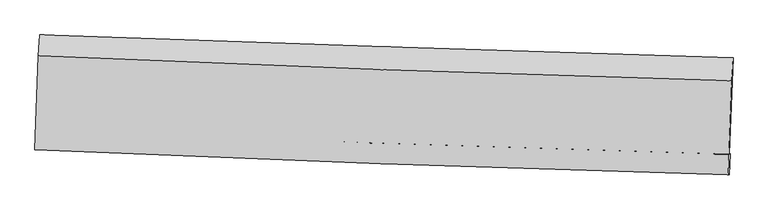
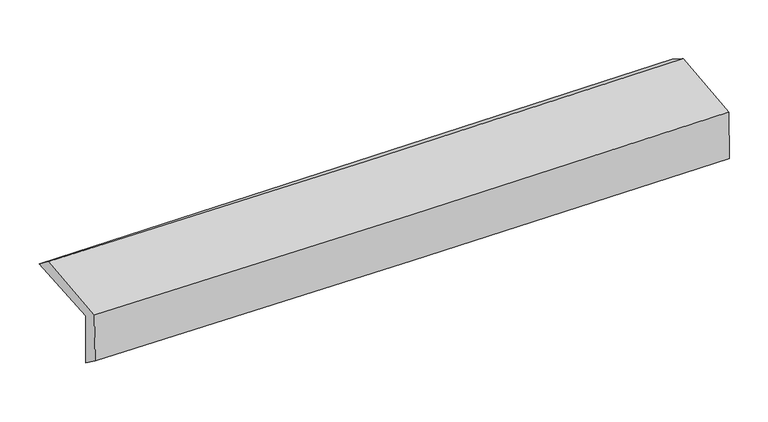
"""IFC4 building model written with IfcOpenShell, lengths in millimetres: proxy geometry."""

from ifc_helpers import new_model, si_unit, frame, origin, place, context, project, spatial, source, transform, mapped, element, save
from ifc_brep_helpers import plane_surface, spline_curve, spline_surface, advanced_brep


def generic_models_711b635d(model_context):
    return source(origin(), model_context, "Body", "AdvancedBrep", [
        advanced_brep(
        [(-2412.2963544, -1724.6140966, 2003.1782897), (-2386.4280916, -1056.282665, 2010.6440219), (2409.8646997, -1213.518487, 2100.8701911), (2383.1875288, -1880.8094024, 2076.1884236), (-2405.715005, -1712.3481891, 1607.5726277), (2389.1874835, -1879.4271855, 1690.0966422), (-2412.6708603, -1849.8313115, 1711.9600229), (2381.8836713, -2021.8771517, 1789.3353068), (-2418.5784734, -1851.1892215, 2091.3866482), (2375.9484417, -2023.2444578, 2171.2620871), (-2393.8021828, -1200.9268352, 2124.0930793), (2401.8064644, -1373.1039766, 2203.9812724)],
        [
            (0, 1),
            (1, 2, spline_curve(3, [(-2386.4280916, -1056.282665, 2010.6440219), (-1587.142455202, -1084.174805543, 2028.610664488), (-787.790747649, -1111.224407372, 2045.113102914), (810.973527709, -1163.636198054, 2075.188231789), (1610.386084331, -1188.998536513, 2088.761182865), (2409.8646997, -1213.518487, 2100.8701911)], [4, 2, 4], [0.0, 7.872963180373235, 15.745224361543842])),
            (2, 3),
            (3, 0, spline_curve(3, [(2383.1875288, -1880.8094024, 2076.1884236), (1583.991669833, -1856.132790504, 2061.216892208), (784.787901, -1830.778819705, 2047.647157645), (-813.706725318, -1778.713838584, 2023.310196294), (-1612.997584063, -1752.002707611, 2012.543219555), (-2412.2963544, -1724.6140966, 2003.1782897)], [4, 2, 4], [0.0, 7.872261181170607, 15.745224361543842])),
            (4, 0),
            (3, 5),
            (5, 4, spline_curve(3, [(2389.1874835, -1879.4271855, 1690.0966422), (1589.899026906, -1856.564451271, 1676.710611652), (790.697402196, -1831.210566546, 1663.140909869), (-807.603442674, -1775.518011807, 1635.632937891), (-1606.702647691, -1745.178898145, 1621.694634688), (-2405.715005, -1712.3481891, 1607.5726277)], [4, 2, 4], [0.0, 7.871298553519472, 15.743299020400435])),
            (6, 4),
            (5, 7),
            (7, 6, spline_curve(3, [(2381.8836713, -2021.8771517, 1789.3353068), (1582.624972725, -1999.845630567, 1775.092620836), (783.467221879, -1974.493504173, 1761.523595159), (-814.717640186, -1917.145482972, 1735.731713712), (-1613.744732919, -1885.148996273, 1723.508978061), (-2412.6708603, -1849.8313115, 1711.9600229)], [4, 2, 4], [0.0, 7.871088568746899, 15.742879032130155])),
            (8, 6),
            (7, 9),
            (9, 8, spline_curve(3, [(2375.9484417, -2023.2444578, 2171.2620871), (1576.680898796, -2001.214332526, 2157.435972746), (777.521026726, -1975.862120965, 2143.866914213), (-820.654631023, -1918.51096824, 2117.241722106), (-1619.670397175, -1886.511434169, 2104.185634189), (-2418.5784734, -1851.1892215, 2091.3866482)], [4, 2, 4], [0.0, 7.8709100706110195, 15.742522019941045])),
            (10, 8),
            (9, 11),
            (11, 10, spline_curve(3, [(2401.8064644, -1373.1039766, 2203.9812724), (1602.312245635, -1351.077856945, 2190.151014307), (802.948894194, -1325.717490145, 2176.578821203), (-795.587344767, -1268.325704448, 2149.949377726), (-1594.760209036, -1236.293690534, 2136.892172999), (-2393.8021828, -1200.9268352, 2124.0930793)], [4, 2, 4], [0.0, 7.871811110959554, 15.744324180987277])),
            (1, 10),
            (11, 2),
        ],
        [
            spline_surface(3, 3, [[(-2412.2963544, -1724.6140966, 2003.1782897), (-1612.997584169, -1752.002707489, 2012.543219686), (-813.706725323, -1778.713838584, 2023.310196303), (784.787901005, -1830.778819704, 2047.647157636), (1583.99166988, -1856.132790548, 2061.216892289), (2383.1875288, -1880.8094024, 2076.1884236)], [(-2403.67360013, -1501.836952727, 2005.666867106), (-1604.379207803, -1529.393406799, 2017.899034593), (-805.068066138, -1556.21736155, 2030.577831888), (793.516443268, -1608.397945772, 2056.827515657), (1592.789808003, -1633.754705874, 2070.398322441), (2392.079919108, -1658.379097268, 2084.415679435)], [(-2395.05084587, -1279.059808873, 2008.155444494), (-1595.760831448, -1306.784106129, 2023.25484948), (-796.429406935, -1333.720884534, 2037.845467446), (802.244985547, -1386.017071858, 2066.007873652), (1601.587946101, -1411.376621197, 2079.579752588), (2400.972309392, -1435.948792132, 2092.642935265)], [(-2386.4280916, -1056.282665, 2010.6440219), (-1587.142455081, -1084.174805439, 2028.610664386), (-787.79074775, -1111.224407499, 2045.113103031), (810.97352781, -1163.636197926, 2075.188231673), (1610.386084223, -1188.998536523, 2088.76118274), (2409.8646997, -1213.518487, 2100.8701911)]], [4, 4], [4, 2, 4], [0.0, 2.1925193893645365], [0.0, 7.872963180373235, 15.745224361543842]),
            spline_surface(3, 3, [[(-2405.715005, -1712.3481891, 1607.5726277), (-1606.70264766, -1745.178898055, 1621.694634722), (-807.603442733, -1775.518011932, 1635.632937845), (790.697402255, -1831.210566422, 1663.140909915), (1589.899026827, -1856.564451344, 1676.710611634), (2389.1874835, -1879.4271855, 1690.0966422)], [(-2407.908788146, -1716.436824935, 1739.44118169), (-1608.800959842, -1747.453501201, 1751.977496367), (-809.637870269, -1776.583287475, 1764.858690641), (788.727568499, -1831.066650842, 1791.309659132), (1587.929907837, -1856.42056441, 1804.879371862), (2387.187498593, -1879.887924465, 1818.793902677)], [(-2410.102571254, -1720.525460765, 1871.30973571), (-1610.899271987, -1749.728104342, 1882.260358041), (-811.672297787, -1777.648563041, 1894.084443507), (786.757734761, -1830.922735284, 1919.478408419), (1585.960788869, -1856.276677481, 1933.048132061), (2385.187513707, -1880.348663435, 1947.491163123)], [(-2412.2963544, -1724.6140966, 2003.1782897), (-1612.997584169, -1752.002707489, 2012.543219686), (-813.706725323, -1778.713838584, 2023.310196303), (784.787901005, -1830.778819704, 2047.647157636), (1583.99166988, -1856.132790548, 2061.216892289), (2383.1875288, -1880.8094024, 2076.1884236)]], [4, 4], [4, 2, 4], [0.0, 1.2668670798834778], [0.0, 7.872000466880963, 15.743299020400435]),
            spline_surface(3, 3, [[(-2412.6708603, -1849.8313115, 1711.9600229), (-1613.744732986, -1885.148996149, 1723.508978186), (-814.717640089, -1917.145482993, 1735.731713709), (783.467221782, -1974.493504151, 1761.523595163), (1582.624972752, -1999.845630695, 1775.092620934), (2381.8836713, -2021.8771517, 1789.3353068)], [(-2410.352241865, -1804.003604039, 1677.1642245), (-1611.397371208, -1838.49229679, 1689.570863697), (-812.34624095, -1869.936325979, 1702.365455104), (785.87728196, -1926.732524915, 1728.729366763), (1585.049657447, -1952.085237579, 1742.298617826), (2384.31827537, -1974.393829634, 1756.255751926)], [(-2408.033623435, -1758.175896561, 1642.3684261), (-1609.050009437, -1791.835597413, 1655.63274921), (-809.974841872, -1822.727168946, 1668.99919645), (788.287342077, -1878.971545658, 1695.935138315), (1587.474342132, -1904.32484446, 1709.504614742), (2386.75287943, -1926.910507566, 1723.176197074)], [(-2405.715005, -1712.3481891, 1607.5726277), (-1606.70264766, -1745.178898055, 1621.694634722), (-807.603442733, -1775.518011932, 1635.632937845), (790.697402255, -1831.210566422, 1663.140909915), (1589.899026827, -1856.564451344, 1676.710611634), (2389.1874835, -1879.4271855, 1690.0966422)]], [4, 4], [4, 2, 4], [0.0, 0.5700891684990056], [0.0, 7.871790463383256, 15.742879032130155]),
            spline_surface(3, 3, [[(-2418.5784734, -1851.1892215, 2091.3866482), (-1619.670397063, -1886.511434245, 2104.185634222), (-820.654630934, -1918.510968136, 2117.241722079), (777.521026637, -1975.862121068, 2143.866914239), (1576.680898874, -2001.214332588, 2157.435972657), (2375.9484417, -2023.2444578, 2171.2620871)], [(-2416.609269016, -1850.736584838, 1964.911106437), (-1617.695175687, -1886.057288218, 1977.293415547), (-818.675634002, -1918.055806434, 1990.071719294), (779.503091669, -1975.405915441, 2016.419141218), (1578.66225685, -2000.758098623, 2029.988188744), (2377.926851583, -2022.788689099, 2043.953160328)], [(-2414.640064684, -1850.283948162, 1838.435564663), (-1615.719954362, -1885.603142176, 1850.401196861), (-816.696637021, -1917.600644696, 1862.901716495), (781.48515675, -1974.949709779, 1888.971368184), (1580.643614776, -2000.30186466, 1902.540404847), (2379.905261417, -2022.332920401, 1916.644233572)], [(-2412.6708603, -1849.8313115, 1711.9600229), (-1613.744732986, -1885.148996149, 1723.508978186), (-814.717640089, -1917.145482993, 1735.731713709), (783.467221782, -1974.493504151, 1761.523595163), (1582.624972752, -1999.845630695, 1775.092620934), (2381.8836713, -2021.8771517, 1789.3353068)]], [4, 4], [4, 2, 4], [0.0, 1.253199758533372], [0.0, 7.871611949330026, 15.742522019941045]),
            spline_surface(3, 3, [[(-2393.8021828, -1200.9268352, 2124.0930793), (-1594.760209094, -1236.293690591, 2136.892172962), (-795.587344817, -1268.325704408, 2149.949377608), (802.948894244, -1325.717490186, 2176.578821321), (1602.312245727, -1351.07785685, 2190.151014403), (2401.8064644, -1373.1039766, 2203.9812724)], [(-2402.06094636, -1417.680963963, 2113.190935589), (-1603.06360511, -1453.032938472, 2125.989993371), (-803.943106859, -1485.054125626, 2139.046825765), (794.472938372, -1542.432367122, 2165.674852294), (1593.768463429, -1567.790015444, 2179.246000504), (2393.187123487, -1589.817470348, 2193.074877316)], [(-2410.31970984, -1634.435092737, 2102.288791911), (-1611.367001047, -1669.772186364, 2115.087813813), (-812.298868892, -1701.782546918, 2128.144273922), (785.996982509, -1759.147244132, 2154.770883266), (1585.224681171, -1784.502173994, 2168.340986557), (2384.567782613, -1806.530964052, 2182.168482184)], [(-2418.5784734, -1851.1892215, 2091.3866482), (-1619.670397063, -1886.511434245, 2104.185634222), (-820.654630934, -1918.510968136, 2117.241722079), (777.521026637, -1975.862121068, 2143.866914239), (1576.680898874, -2001.214332588, 2157.435972657), (2375.9484417, -2023.2444578, 2171.2620871)]], [4, 4], [4, 2, 4], [0.0, 2.1373905955178865], [0.0, 7.872513070027724, 15.744324180987277]),
            spline_surface(3, 3, [[(-2386.4280916, -1056.282665, 2010.6440219), (-1587.142455081, -1084.174805439, 2028.610664386), (-787.79074775, -1111.224407499, 2045.113103031), (810.97352781, -1163.636197926, 2075.188231673), (1610.386084223, -1188.998536523, 2088.76118274), (2409.8646997, -1213.518487, 2100.8701911)], [(-2388.886121983, -1104.497388397, 2048.460374378), (-1589.681706402, -1134.881100487, 2064.704500589), (-790.389613428, -1163.591506488, 2080.058527883), (808.298649965, -1217.663295365, 2108.985094882), (1607.694804717, -1243.024976617, 2122.557793281), (2407.178621259, -1266.713650185, 2135.240551519)], [(-2391.344152417, -1152.712111803, 2086.276726822), (-1592.220957773, -1185.587395543, 2100.798336759), (-792.988479138, -1215.958605419, 2115.003952756), (805.623772089, -1271.690392747, 2142.781958111), (1605.003525233, -1297.051416756, 2156.354403863), (2404.492542841, -1319.908813415, 2169.610911981)], [(-2393.8021828, -1200.9268352, 2124.0930793), (-1594.760209094, -1236.293690591, 2136.892172962), (-795.587344817, -1268.325704408, 2149.949377608), (802.948894244, -1325.717490186, 2176.578821321), (1602.312245727, -1351.07785685, 2190.151014403), (2401.8064644, -1373.1039766, 2203.9812724)]], [4, 4], [4, 2, 4], [0.0, 0.6239144830119122], [0.0, 7.8736331778877915, 15.74656429683208]),
            plane_surface(frame((2390.3130482, -1731.9967768, 2005.2889872), z_axis=(0.999060760659037, -0.04050967072334445, 0.01538060757162651), x_axis=(0.015538253378079148, 0.0035795664036601896, -0.999872866611711))),
            plane_surface(frame((-2404.9151612, -1565.8653865, 1924.8057816), z_axis=(-0.9991263391374648, 0.03884414581658229, -0.015417223405914815), x_axis=(-0.038674370314983, -0.9991895268930193, -0.011161649880009448))),
        ],
        [
            (0, [[1, 2, 3, 4]]),
            (1, [[5, -4, 6, 7]]),
            (2, [[8, -7, 9, 10]]),
            (3, [[11, -10, 12, 13]]),
            (4, [[14, -13, 15, 16]]),
            (5, [[17, -16, 18, -2]]),
            (6, [[-12, -9, -6, -3, -18, -15]]),
            (7, [[-1, -5, -8, -11, -14, -17]]),
        ],
    ),
    ])


if __name__ == "__main__":
    model = new_model("IFC4")
    model_context = context("Model", 3, world=origin())
    ifc_project = project(units=[si_unit("LENGTHUNIT", "METRE", prefix="MILLI")], contexts=[model_context])
    site = spatial("IfcSite", under=ifc_project)
    building = spatial("IfcBuilding", under=site)
    placement = place(None, origin())
    generic_models_shape = generic_models_711b635d(model_context)
    element("IfcBuildingElementProxy", 1, Name="Generic Models", at=placement, inside=building, context=model_context, shape_type="MappedRepresentation", body=[
        mapped(generic_models_shape, transform((0.0, 0.0, 0.0), x_axis=(1.0, 0.0, 0.0), y_axis=(0.0, 1.0, 0.0), z_axis=(0.0, 0.0, 1.0))),
    ])
    save(model, "model.ifc")
